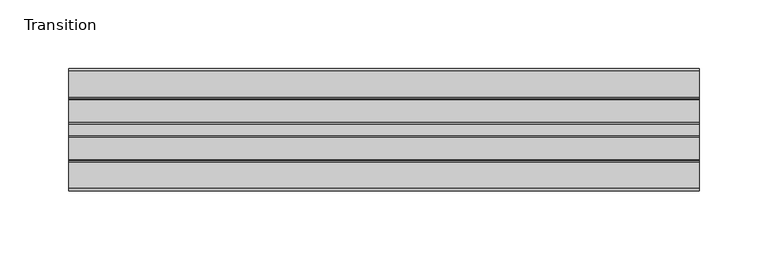
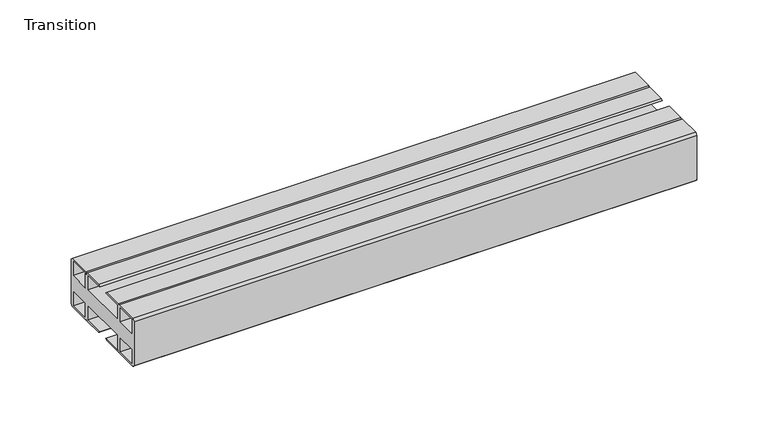
"""IFC4 building model written with IfcOpenShell, lengths in millimetres: furniture geometry, Transition."""

from ifc_helpers import new_model, si_unit, frame, origin, place, context, project, spatial, polyline, outline, extrude, source, transform, mapped, element, save


def transition_c8bef1ea(model_context):
    return source(origin(), model_context, "Body", "SweptSolid", [
        extrude(outline(polyline([(-26.1481963, 6.6000002), (-8.7481957, 6.6000002), (-8.7481957, 19.05), (-5.4481956, 19.05), (-5.4481956, 6.6000002), (36.4518057, 6.6000002), (36.4518057, 19.05), (39.7518058, 19.05), (39.7518058, 6.6000002), (57.1518064, 6.6000002), (57.1518064, 19.4924102), (19.9129652, 19.4924102), (21.058055, 20.6375), (37.2171998, 20.6375), (38.1255324, 19.7291674), (39.033865, 20.6375), (58.0797005, 20.6375), (59.951805, 19.05), (59.951805, -19.05), (58.0797005, -20.6375), (39.033865, -20.6375), (38.1255324, -19.7291674), (37.2171998, -20.6375), (21.058055, -20.6375), (19.9129652, -19.4924102), (57.1518064, -19.4924102), (57.1518064, -6.6000002), (39.7518058, -6.6000002), (39.7518058, -19.05), (36.4518057, -19.05), (36.4518057, -6.6000002), (-5.4481956, -6.6000002), (-5.4481956, -19.05), (-8.7481957, -19.05), (-8.7481957, -6.6000002), (-26.1481963, -6.6000002), (-26.1481963, -19.4924102), (11.0906449, -19.4924102), (9.945555, -20.6375), (-6.2135897, -20.6375), (-7.1219223, -19.7291674), (-8.0302549, -20.6375), (-27.0760904, -20.6375), (-28.948195, -19.05), (-28.948195, 19.05), (-27.0760904, 20.6375), (-8.0302549, 20.6375), (-7.1219223, 19.7291674), (-6.2135897, 20.6375), (9.945555, 20.6375), (11.0906449, 19.4924102), (-26.1481963, 19.4924102), (-26.1481963, 6.6000002)])), frame((-198.6228469, 0.0, 0.0), z_axis=(1.0, 0.0, 0.0), x_axis=(0.0, 1.0, 0.0)), (0.0, 0.0, 1.0), 457.2),
    ])


if __name__ == "__main__":
    model = new_model("IFC4")
    model_context = context("Model", 3, world=origin())
    ifc_project = project(units=[si_unit("LENGTHUNIT", "METRE", prefix="MILLI")], contexts=[model_context])
    site = spatial("IfcSite", under=ifc_project)
    building = spatial("IfcBuilding", under=site)
    placement = place(None, origin())
    transition_shape = transition_c8bef1ea(model_context)
    element("IfcFurniture", 1, ObjectType="Transition", at=placement, inside=building, context=model_context, shape_type="MappedRepresentation", body=[
        mapped(transition_shape, transform((0.0, 0.0, 0.0), x_axis=(1.0, 0.0, 0.0), y_axis=(0.0, 1.0, 0.0), z_axis=(0.0, 0.0, 1.0))),
    ])
    save(model, "model.ifc")
